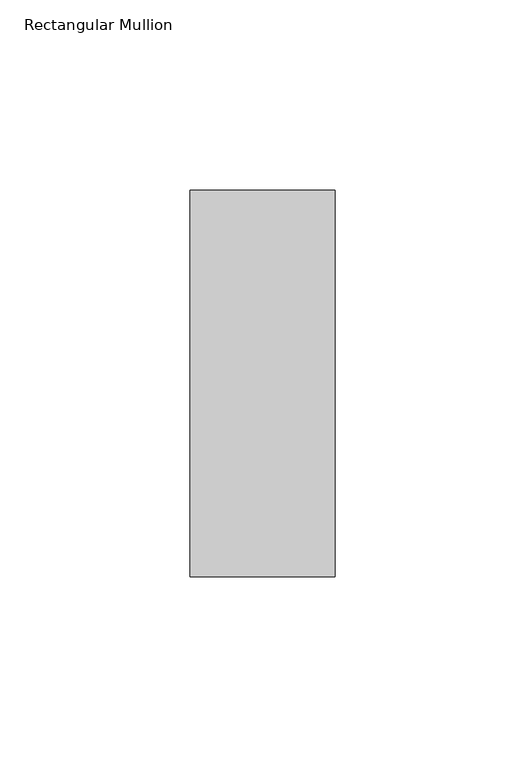
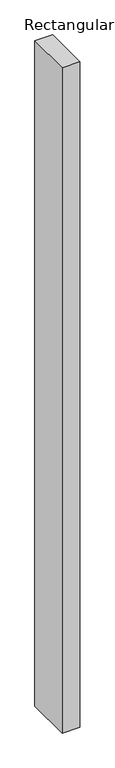
"""IFC4 building model written with IfcOpenShell, lengths in millimetres: member geometry, Rectangular Mullion."""

from ifc_helpers import new_model, si_unit, frame, origin, place, context, project, spatial, polyline, outline, extrude, source, transform, mapped, element, save


def rectangular_mullion_8f02d79f(model_context):
    return source(origin(), model_context, "Body", "SweptSolid", [
        extrude(outline(polyline([(0.0, -50.8), (-38.1118723, -50.8), (-38.1118723, 50.8), (0.0, 50.8), (0.0, -50.8)])), frame((0.0, 0.0, -1518.4374), z_axis=(0.0, 0.0, 1.0), x_axis=(1.0, 0.0, 0.0)), (0.0, 0.0, 1.0), 1518.4374),
    ])


if __name__ == "__main__":
    model = new_model("IFC4")
    model_context = context("Model", 3, world=origin())
    ifc_project = project(units=[si_unit("LENGTHUNIT", "METRE", prefix="MILLI")], contexts=[model_context])
    site = spatial("IfcSite", under=ifc_project)
    building = spatial("IfcBuilding", under=site)
    placement = place(None, origin())
    rectangular_mullion_shape = rectangular_mullion_8f02d79f(model_context)
    element("IfcMember", 1, ObjectType="Rectangular Mullion", at=placement, inside=building, context=model_context, shape_type="MappedRepresentation", body=[
        mapped(rectangular_mullion_shape, transform((0.0, 0.0, 0.0), x_axis=(1.0, 0.0, 0.0), y_axis=(0.0, 1.0, 0.0), z_axis=(0.0, 0.0, 1.0))),
    ])
    save(model, "model.ifc")
